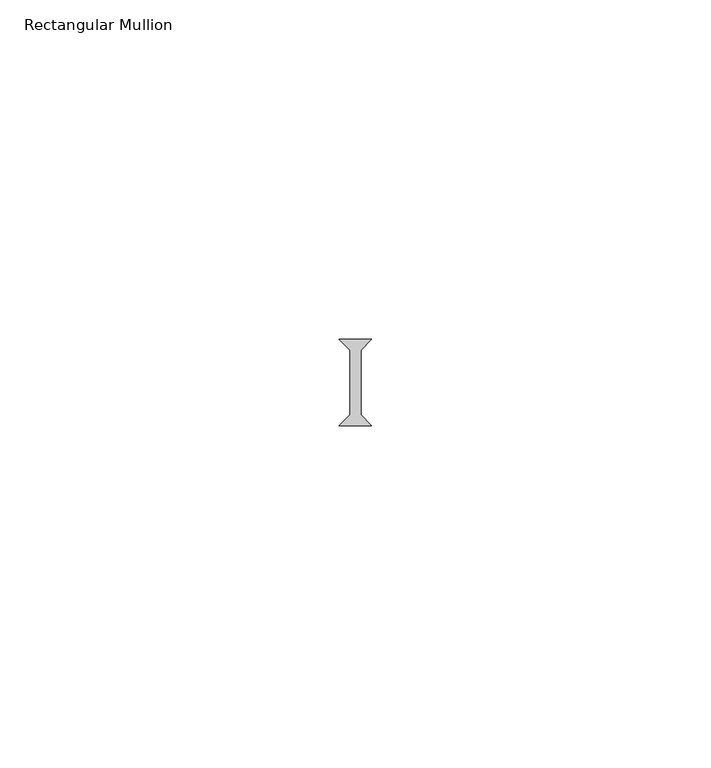
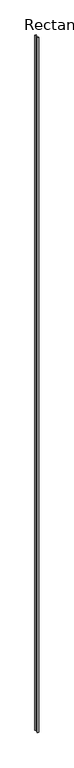
"""IFC4 building model written with IfcOpenShell, lengths in millimetres: member geometry, Rectangular Mullion."""

from ifc_helpers import new_model, si_unit, frame, origin, place, context, project, spatial, polyline, outline, extrude, source, transform, mapped, element, save


def rectangular_mullion_5378a30c(model_context):
    return source(origin(), model_context, "Body", "SweptSolid", [
        extrude(outline(polyline([(-2.38125, 23.8125), (-0.79375, 25.4), (-0.79375, 34.925), (-2.38125, 36.5125), (2.38125, 36.5125), (0.79375, 34.925), (0.79375, 25.4), (2.38125, 23.8125), (-2.38125, 23.8125)])), frame((0.0, 0.0, -2359.025), z_axis=(0.0, 0.0, 1.0), x_axis=(1.0, 0.0, 0.0)), (0.0, 0.0, 1.0), 2359.025),
    ])


if __name__ == "__main__":
    model = new_model("IFC4")
    model_context = context("Model", 3, world=origin())
    ifc_project = project(units=[si_unit("LENGTHUNIT", "METRE", prefix="MILLI")], contexts=[model_context])
    site = spatial("IfcSite", under=ifc_project)
    building = spatial("IfcBuilding", under=site)
    placement = place(None, origin())
    rectangular_mullion_shape = rectangular_mullion_5378a30c(model_context)
    element("IfcMember", 1, ObjectType="Rectangular Mullion", at=placement, inside=building, context=model_context, shape_type="MappedRepresentation", body=[
        mapped(rectangular_mullion_shape, transform((0.0, 0.0, 0.0), x_axis=(1.0, 0.0, 0.0), y_axis=(0.0, 1.0, 0.0), z_axis=(0.0, 0.0, 1.0))),
    ])
    save(model, "model.ifc")
